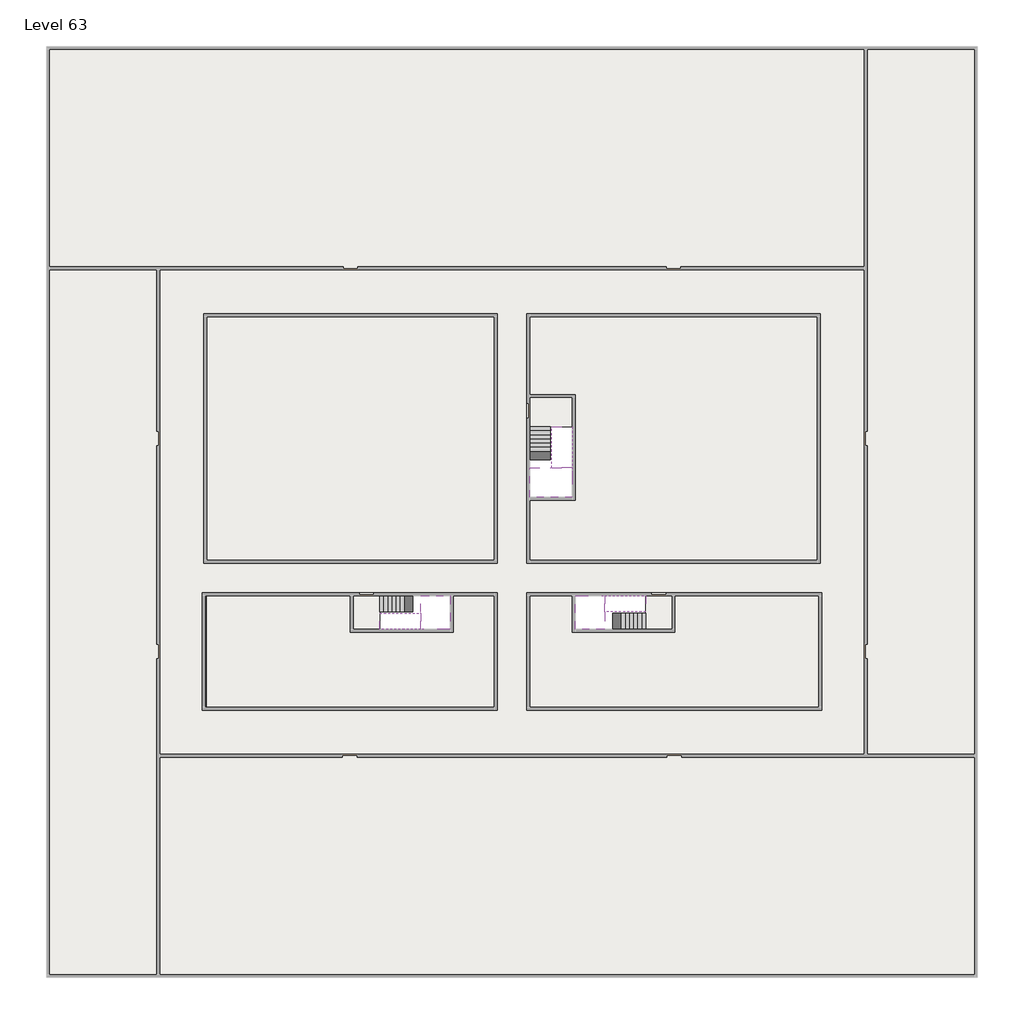
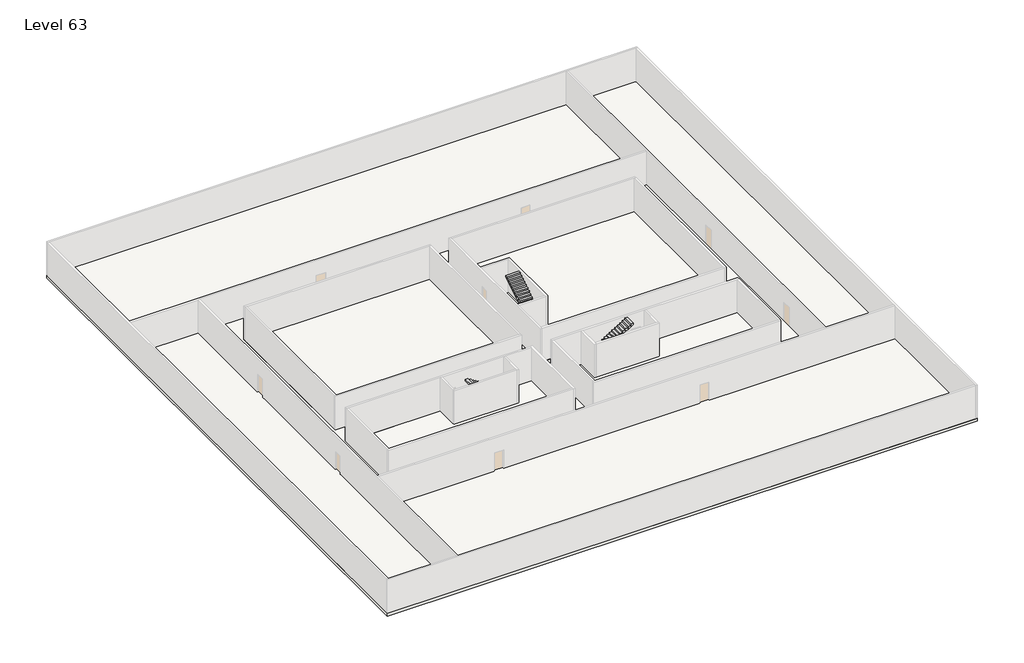
# One storey, part 2 of 2: 6 slabs, 6 stair flights.
"""IFC4 building model written with IfcOpenShell, lengths in millimetres."""

from ifc_helpers import new_model, si_unit, frame, origin, place, context, project, spatial, polyline, outline, extrude, faceted_brep, element, save

model = new_model("IFC4")

# Units and contexts
model_context = context("Model", 3, world=origin())
ifc_project = project(units=[si_unit("LENGTHUNIT", "METRE", prefix="MILLI")], contexts=[model_context])

# Site, building, storey
site = spatial("IfcSite", under=ifc_project)
building = spatial("IfcBuilding", under=site)
storey = spatial("IfcBuildingStorey", under=building, Name="Level 63", Elevation=235600.0)

# Slabs
placement = place(None, origin())
element("IfcSlab", 1, at=placement, inside=storey, context=model_context, shape_type="SweptSolid", body=[
    extrude(outline(polyline([(55890.1058784, -5518.09644), (55890.1058784, -68918.09644), (-7509.8941216, -68918.09644), (-7509.8941216, -5518.09644), (55890.1058784, -5518.09644)]), holes=[polyline([(23190.1058784, -23718.09644), (3190.1058784, -23718.09644), (3190.1058784, -40718.09644), (23190.1058784, -40718.09644), (23190.1058784, -23718.09644)]), polyline([(45190.1058784, -23718.09644), (25190.1058784, -23718.09644), (25190.1058784, -40718.09644), (45190.1058784, -40718.09644), (45190.1058784, -23718.09644)]), polyline([(23190.1058784, -50718.09644), (23190.1058784, -42718.09644), (3390.1058784, -42718.09644), (3390.1058784, -50718.09644), (23190.1058784, -50718.09644)]), polyline([(25190.1058784, -50718.09644), (45190.1058784, -50718.09644), (45190.1058784, -42718.09644), (25190.1058784, -42718.09644), (25190.1058784, -50718.09644)])]), frame((0.0, 0.0, 235300.0), z_axis=(0.0, 0.0, 1.0), x_axis=(1.0, 0.0, 0.0)), (0.0, 0.0, 1.0), 300.0),
])
element("IfcSlab", 2, at=placement, inside=storey, context=model_context, shape_type="Brep", body=[
    faceted_brep([(26790.1058784, -34218.09644, 237500.0), (25390.1058784, -34218.09644, 237500.0), (25390.1058784, -34297.4828763, 237500.0), (25390.1058784, -36218.09644, 237500.0), (28290.1058784, -36218.09644, 237500.0), (28290.1058784, -34418.7100038, 237500.0), (28290.1058784, -34218.09644, 237500.0), (26890.1058784, -34218.09644, 237500.0), (26790.1058784, -34218.09644, 237200.0), (26790.1058784, -34218.09644, 237151.0278478), (25390.1058784, -34218.09644, 237151.0278478), (25390.1058784, -34218.09644, 237327.2727273), (25390.1058784, -34297.4828763, 237200.0), (25390.1058784, -36218.09644, 237200.0), (28290.1058784, -36218.09644, 237200.0), (28290.1058784, -34418.7100038, 237200.0), (28290.1058784, -34218.09644, 237323.7551205), (26890.1058784, -34218.09644, 237323.7551205), (26890.1058784, -34218.09644, 237200.0), (26890.1058784, -34418.7100038, 237200.0), (26790.1058784, -34297.4828763, 237200.0)], [[[0, 1, 2, 3, 4, 5, 6, 7]], [[1, 0, 8, 9, 10, 11]], [[1, 11, 10, 12, 13, 3, 2]], [[4, 3, 13, 14]], [[4, 14, 15, 16, 6, 5]], [[7, 6, 16, 17]], [[0, 7, 17, 18, 8]], [[18, 19, 15, 14, 13, 12, 20, 8]], [[19, 18, 17]], [[20, 12, 10, 9]], [[8, 20, 9]], [[15, 19, 17, 16]]]),
])
element("IfcSlab", 3, at=placement, inside=storey, context=model_context, shape_type="SweptSolid", body=[
    extrude(outline(polyline([(22990.1058784, -23918.09644), (22990.1058784, -40518.09644), (3390.1058784, -40518.09644), (3390.1058784, -23918.09644), (22990.1058784, -23918.09644)])), frame((0.0, 0.0, 235300.0), z_axis=(0.0, 0.0, 1.0), x_axis=(1.0, 0.0, 0.0)), (0.0, 0.0, 1.0), 300.0),
    extrude(outline(polyline([(44990.1058784, -23918.09644), (44990.1058784, -40518.09644), (25390.1058784, -40518.09644), (25390.1058784, -36418.09644), (28490.1058784, -36418.09644), (28490.1058784, -29218.09644), (25390.1058784, -29218.09644), (25390.1058784, -23918.09644), (44990.1058784, -23918.09644)])), frame((0.0, 0.0, 235300.0), z_axis=(0.0, 0.0, 1.0), x_axis=(1.0, 0.0, 0.0)), (0.0, 0.0, 1.0), 300.0),
    extrude(outline(polyline([(22990.1058784, -42918.09644), (22990.1058784, -50518.09644), (3390.1058784, -50518.09644), (3390.1058784, -42918.09644), (13190.1058784, -42918.09644), (13190.1058784, -45418.09644), (20190.1058784, -45418.09644), (20190.1058784, -42918.09644), (22990.1058784, -42918.09644)])), frame((0.0, 0.0, 235300.0), z_axis=(0.0, 0.0, 1.0), x_axis=(1.0, 0.0, 0.0)), (0.0, 0.0, 1.0), 300.0),
    extrude(outline(polyline([(28290.1058784, -42918.09644), (28290.1058784, -45418.09644), (35290.1058784, -45418.09644), (35290.1058784, -42918.09644), (45090.1058784, -42918.09644), (45090.1058784, -50518.09644), (25390.1058784, -50518.09644), (25390.1058784, -42918.09644), (28290.1058784, -42918.09644)])), frame((0.0, 0.0, 235300.0), z_axis=(0.0, 0.0, 1.0), x_axis=(1.0, 0.0, 0.0)), (0.0, 0.0, 1.0), 300.0),
])
element("IfcSlab", 4, at=placement, inside=storey, context=model_context, shape_type="Brep", body=[
    faceted_brep([(30490.1058784, -45218.09644, 237500.0), (30490.1058784, -44118.09644, 237500.0), (30490.1058784, -44018.09644, 237500.0), (30490.1058784, -42918.09644, 237500.0), (30289.4923146, -42918.09644, 237500.0), (28490.1058784, -42918.09644, 237500.0), (28490.1058784, -45218.09644, 237500.0), (30410.7194421, -45218.09644, 237500.0), (30490.1058784, -45218.09644, 237327.2727273), (30490.1058784, -45218.09644, 237151.0278478), (30490.1058784, -44118.09644, 237151.0278478), (30490.1058784, -44118.09644, 237200.0), (30490.1058784, -44018.09644, 237200.0), (30490.1058784, -44018.09644, 237323.7551205), (30490.1058784, -42918.09644, 237323.7551205), (30289.4923146, -42918.09644, 237200.0), (28490.1058784, -42918.09644, 237200.0), (28490.1058784, -45218.09644, 237200.0), (30410.7194421, -45218.09644, 237200.0), (30289.4923146, -44018.09644, 237200.0), (30410.7194421, -44118.09644, 237200.0)], [[[0, 1, 2, 3, 4, 5, 6, 7]], [[1, 0, 8, 9, 10, 11]], [[2, 1, 11, 12, 13]], [[3, 2, 13, 14]], [[3, 14, 15, 16, 5, 4]], [[6, 5, 16, 17]], [[9, 8, 0, 7, 6, 17, 18]], [[19, 12, 11, 20, 18, 17, 16, 15]], [[12, 19, 13]], [[18, 20, 10, 9]], [[20, 11, 10]], [[19, 15, 14, 13]]]),
])
element("IfcSlab", 5, at=placement, inside=storey, context=model_context, shape_type="Brep", body=[
    faceted_brep([(17990.1058784, -42918.09644, 237500.0), (17990.1058784, -44018.09644, 237500.0), (17990.1058784, -44118.09644, 237500.0), (17990.1058784, -45218.09644, 237500.0), (18190.7194421, -45218.09644, 237500.0), (19990.1058784, -45218.09644, 237500.0), (19990.1058784, -42918.09644, 237500.0), (18069.4923146, -42918.09644, 237500.0), (17990.1058784, -42918.09644, 237327.2727273), (17990.1058784, -42918.09644, 237151.0278478), (17990.1058784, -44018.09644, 237151.0278478), (17990.1058784, -44018.09644, 237200.0), (17990.1058784, -44118.09644, 237200.0), (17990.1058784, -44118.09644, 237323.7551205), (17990.1058784, -45218.09644, 237323.7551205), (18190.7194421, -45218.09644, 237200.0), (19990.1058784, -45218.09644, 237200.0), (19990.1058784, -42918.09644, 237200.0), (18069.4923146, -42918.09644, 237200.0), (18190.7194421, -44118.09644, 237200.0), (18069.4923146, -44018.09644, 237200.0)], [[[0, 1, 2, 3, 4, 5, 6, 7]], [[1, 0, 8, 9, 10, 11]], [[2, 1, 11, 12, 13]], [[3, 2, 13, 14]], [[3, 14, 15, 16, 5, 4]], [[6, 5, 16, 17]], [[9, 8, 0, 7, 6, 17, 18]], [[19, 12, 11, 20, 18, 17, 16, 15]], [[12, 19, 13]], [[18, 20, 10, 9]], [[20, 11, 10]], [[19, 15, 14, 13]]]),
])
element("IfcSlab", 6, at=placement, inside=storey, context=model_context, shape_type="SweptSolid", body=[
    extrude(outline(polyline([(25190.1058784, -29418.09644), (28290.1058784, -29418.09644), (28290.1058784, -31418.09644), (25190.1058784, -31418.09644), (25190.1058784, -29418.09644)])), frame((0.0, 0.0, 235300.0), z_axis=(0.0, 0.0, 1.0), x_axis=(1.0, 0.0, 0.0)), (0.0, 0.0, 1.0), 300.0),
    extrude(outline(polyline([(15190.1058784, -45218.09644), (13390.1058784, -45218.09644), (13390.1058784, -42718.09644), (15190.1058784, -42718.09644), (15190.1058784, -45218.09644)])), frame((0.0, 0.0, 235300.0), z_axis=(0.0, 0.0, 1.0), x_axis=(1.0, 0.0, 0.0)), (0.0, 0.0, 1.0), 300.0),
    extrude(outline(polyline([(35090.1058784, -45218.09644), (33290.1058784, -45218.09644), (33290.1058784, -42718.09644), (35090.1058784, -42718.09644), (35090.1058784, -45218.09644)])), frame((0.0, 0.0, 235300.0), z_axis=(0.0, 0.0, 1.0), x_axis=(1.0, 0.0, 0.0)), (0.0, 0.0, 1.0), 300.0),
])

# Stair flights
element("IfcStairFlight", 7, at=placement, inside=storey, context=model_context, shape_type="Brep", body=[
    faceted_brep([(26790.1058784, -31698.09644, 235772.7272727), (26790.1058784, -31418.09644, 235772.7272727), (25390.1058784, -31418.09644, 235772.7272727), (25390.1058784, -31698.09644, 235772.7272727), (26790.1058784, -31698.09644, 235600.0), (26790.1058784, -31418.09644, 235600.0), (25390.1058784, -31418.09644, 235600.0), (25390.1058784, -31698.09644, 235600.0), (26790.1058784, -31978.09644, 235945.4545455), (26790.1058784, -31698.09644, 235945.4545455), (25390.1058784, -31698.09644, 235945.4545455), (25390.1058784, -31978.09644, 235945.4545455), (26790.1058784, -31978.09644, 235769.209666), (26790.1058784, -31703.7986657, 235600.0), (25390.1058784, -31703.7986657, 235600.0), (25390.1058784, -31978.09644, 235769.209666), (26790.1058784, -32258.09644, 236118.1818182), (26790.1058784, -31978.09644, 236118.1818182), (25390.1058784, -31978.09644, 236118.1818182), (25390.1058784, -32258.09644, 236118.1818182), (26790.1058784, -32258.09644, 235941.9369387), (25390.1058784, -32258.09644, 235941.9369387), (26790.1058784, -32538.09644, 236290.9090909), (26790.1058784, -32258.09644, 236290.9090909), (25390.1058784, -32258.09644, 236290.9090909), (25390.1058784, -32538.09644, 236290.9090909), (26790.1058784, -32538.09644, 236114.6642114), (25390.1058784, -32538.09644, 236114.6642114), (26790.1058784, -32818.09644, 236463.6363636), (26790.1058784, -32538.09644, 236463.6363636), (25390.1058784, -32538.09644, 236463.6363636), (25390.1058784, -32818.09644, 236463.6363636), (26790.1058784, -32818.09644, 236287.3914841), (25390.1058784, -32818.09644, 236287.3914841), (26790.1058784, -33098.09644, 236636.3636364), (26790.1058784, -32818.09644, 236636.3636364), (25390.1058784, -32818.09644, 236636.3636364), (25390.1058784, -33098.09644, 236636.3636364), (26790.1058784, -33098.09644, 236460.1187569), (25390.1058784, -33098.09644, 236460.1187569), (26790.1058784, -33378.09644, 236809.0909091), (26790.1058784, -33098.09644, 236809.0909091), (25390.1058784, -33098.09644, 236809.0909091), (25390.1058784, -33378.09644, 236809.0909091), (26790.1058784, -33378.09644, 236632.8460296), (25390.1058784, -33378.09644, 236632.8460296), (26790.1058784, -33658.09644, 236981.8181818), (26790.1058784, -33378.09644, 236981.8181818), (25390.1058784, -33378.09644, 236981.8181818), (25390.1058784, -33658.09644, 236981.8181818), (26790.1058784, -33658.09644, 236805.5733023), (25390.1058784, -33658.09644, 236805.5733023), (26790.1058784, -33938.09644, 237154.5454545), (26790.1058784, -33658.09644, 237154.5454545), (25390.1058784, -33658.09644, 237154.5454545), (25390.1058784, -33938.09644, 237154.5454545), (26790.1058784, -33938.09644, 236978.3005751), (25390.1058784, -33938.09644, 236978.3005751), (26790.1058784, -34218.09644, 237327.2727273), (26790.1058784, -33938.09644, 237327.2727273), (25390.1058784, -33938.09644, 237327.2727273), (25390.1058784, -34218.09644, 237327.2727273), (26790.1058784, -34218.09644, 237200.0), (26790.1058784, -34218.09644, 237151.0278478), (25390.1058784, -34218.09644, 237151.0278478)], [[[0, 1, 2, 3]], [[1, 0, 4, 5]], [[2, 1, 5, 6]], [[3, 2, 6, 7]], [[8, 9, 10, 11]], [[4, 0, 9, 8, 12, 13]], [[0, 3, 10, 9]], [[3, 7, 14, 15, 11, 10]], [[16, 17, 18, 19]], [[17, 16, 20, 12, 8]], [[8, 11, 18, 17]], [[19, 18, 11, 15, 21]], [[22, 23, 24, 25]], [[23, 22, 26, 20, 16]], [[16, 19, 24, 23]], [[25, 24, 19, 21, 27]], [[28, 29, 30, 31]], [[29, 28, 32, 26, 22]], [[22, 25, 30, 29]], [[31, 30, 25, 27, 33]], [[34, 35, 36, 37]], [[35, 34, 38, 32, 28]], [[28, 31, 36, 35]], [[37, 36, 31, 33, 39]], [[40, 41, 42, 43]], [[41, 40, 44, 38, 34]], [[34, 37, 42, 41]], [[43, 42, 37, 39, 45]], [[46, 47, 48, 49]], [[47, 46, 50, 44, 40]], [[40, 43, 48, 47]], [[49, 48, 43, 45, 51]], [[52, 53, 54, 55]], [[53, 52, 56, 50, 46]], [[46, 49, 54, 53]], [[55, 54, 49, 51, 57]], [[58, 59, 60, 61]], [[59, 58, 62, 63, 56, 52]], [[52, 55, 60, 59]], [[61, 60, 55, 57, 64]], [[58, 61, 64, 63, 62]], [[5, 4, 13, 14, 7, 6]], [[14, 13, 12, 20, 26, 32, 38, 44, 50, 56, 63, 64, 57, 51, 45, 39, 33, 27, 21, 15]]]),
])
element("IfcStairFlight", 8, at=placement, inside=storey, context=model_context, shape_type="Brep", body=[
    faceted_brep([(26890.1058784, -33938.09644, 237672.7272727), (26890.1058784, -34218.09644, 237672.7272727), (28290.1058784, -34218.09644, 237672.7272727), (28290.1058784, -33938.09644, 237672.7272727), (26890.1058784, -33938.09644, 237496.4823932), (26890.1058784, -34218.09644, 237323.7551205), (28290.1058784, -34218.09644, 237323.7551205), (28290.1058784, -34218.09644, 237500.0), (28290.1058784, -33938.09644, 237496.4823932), (26890.1058784, -33658.09644, 237845.4545455), (26890.1058784, -33938.09644, 237845.4545455), (28290.1058784, -33938.09644, 237845.4545455), (28290.1058784, -33658.09644, 237845.4545455), (26890.1058784, -33658.09644, 237669.209666), (28290.1058784, -33658.09644, 237669.209666), (26890.1058784, -33378.09644, 238018.1818182), (26890.1058784, -33658.09644, 238018.1818182), (28290.1058784, -33658.09644, 238018.1818182), (28290.1058784, -33378.09644, 238018.1818182), (26890.1058784, -33378.09644, 237841.9369387), (28290.1058784, -33378.09644, 237841.9369387), (26890.1058784, -33098.09644, 238190.9090909), (26890.1058784, -33378.09644, 238190.9090909), (28290.1058784, -33378.09644, 238190.9090909), (28290.1058784, -33098.09644, 238190.9090909), (26890.1058784, -33098.09644, 238014.6642114), (28290.1058784, -33098.09644, 238014.6642114), (26890.1058784, -32818.09644, 238363.6363636), (26890.1058784, -33098.09644, 238363.6363636), (28290.1058784, -33098.09644, 238363.6363636), (28290.1058784, -32818.09644, 238363.6363636), (26890.1058784, -32818.09644, 238187.3914841), (28290.1058784, -32818.09644, 238187.3914841), (26890.1058784, -32538.09644, 238536.3636364), (26890.1058784, -32818.09644, 238536.3636364), (28290.1058784, -32818.09644, 238536.3636364), (28290.1058784, -32538.09644, 238536.3636364), (26890.1058784, -32538.09644, 238360.1187569), (28290.1058784, -32538.09644, 238360.1187569), (26890.1058784, -32258.09644, 238709.0909091), (26890.1058784, -32538.09644, 238709.0909091), (28290.1058784, -32538.09644, 238709.0909091), (28290.1058784, -32258.09644, 238709.0909091), (26890.1058784, -32258.09644, 238532.8460296), (28290.1058784, -32258.09644, 238532.8460296), (26890.1058784, -31978.09644, 238881.8181818), (26890.1058784, -32258.09644, 238881.8181818), (28290.1058784, -32258.09644, 238881.8181818), (28290.1058784, -31978.09644, 238881.8181818), (26890.1058784, -31978.09644, 238705.5733023), (28290.1058784, -31978.09644, 238705.5733023), (26890.1058784, -31698.09644, 239054.5454545), (26890.1058784, -31978.09644, 239054.5454545), (28290.1058784, -31978.09644, 239054.5454545), (28290.1058784, -31698.09644, 239054.5454545), (26890.1058784, -31698.09644, 238878.3005751), (28290.1058784, -31698.09644, 238878.3005751), (26890.1058784, -31418.09644, 239227.2727273), (26890.1058784, -31698.09644, 239227.2727273), (28290.1058784, -31698.09644, 239227.2727273), (28290.1058784, -31418.09644, 239227.2727273), (26890.1058784, -31418.09644, 239051.0278478), (28290.1058784, -31418.09644, 239051.0278478)], [[[0, 1, 2, 3]], [[1, 0, 4, 5]], [[2, 1, 5, 6, 7]], [[3, 2, 7, 6, 8]], [[9, 10, 11, 12]], [[10, 9, 13, 4, 0]], [[11, 10, 0, 3]], [[12, 11, 3, 8, 14]], [[15, 16, 17, 18]], [[16, 15, 19, 13, 9]], [[17, 16, 9, 12]], [[18, 17, 12, 14, 20]], [[21, 22, 23, 24]], [[22, 21, 25, 19, 15]], [[23, 22, 15, 18]], [[24, 23, 18, 20, 26]], [[27, 28, 29, 30]], [[28, 27, 31, 25, 21]], [[29, 28, 21, 24]], [[30, 29, 24, 26, 32]], [[33, 34, 35, 36]], [[34, 33, 37, 31, 27]], [[35, 34, 27, 30]], [[36, 35, 30, 32, 38]], [[39, 40, 41, 42]], [[40, 39, 43, 37, 33]], [[41, 40, 33, 36]], [[42, 41, 36, 38, 44]], [[45, 46, 47, 48]], [[46, 45, 49, 43, 39]], [[47, 46, 39, 42]], [[48, 47, 42, 44, 50]], [[51, 52, 53, 54]], [[52, 51, 55, 49, 45]], [[53, 52, 45, 48]], [[54, 53, 48, 50, 56]], [[57, 58, 59, 60]], [[58, 57, 61, 55, 51]], [[59, 58, 51, 54]], [[60, 59, 54, 56, 62]], [[57, 60, 62, 61]], [[5, 4, 13, 19, 25, 31, 37, 43, 49, 55, 61, 62, 56, 50, 44, 38, 32, 26, 20, 14, 8, 6]]]),
])
element("IfcStairFlight", 9, at=placement, inside=storey, context=model_context, shape_type="Brep", body=[
    faceted_brep([(33010.1058784, -45218.09644, 235772.7272727), (33290.1058784, -45218.09644, 235772.7272727), (33290.1058784, -44118.09644, 235772.7272727), (33010.1058784, -44118.09644, 235772.7272727), (33010.1058784, -45218.09644, 235600.0), (33290.1058784, -45218.09644, 235600.0), (33290.1058784, -44118.09644, 235600.0), (33010.1058784, -44118.09644, 235600.0), (32730.1058784, -45218.09644, 235945.4545455), (33010.1058784, -45218.09644, 235945.4545455), (33010.1058784, -44118.09644, 235945.4545455), (32730.1058784, -44118.09644, 235945.4545455), (32730.1058784, -45218.09644, 235769.209666), (33004.4036527, -45218.09644, 235600.0), (33004.4036527, -44118.09644, 235600.0), (32730.1058784, -44118.09644, 235769.209666), (32450.1058784, -45218.09644, 236118.1818182), (32730.1058784, -45218.09644, 236118.1818182), (32730.1058784, -44118.09644, 236118.1818182), (32450.1058784, -44118.09644, 236118.1818182), (32450.1058784, -45218.09644, 235941.9369387), (32450.1058784, -44118.09644, 235941.9369387), (32170.1058784, -45218.09644, 236290.9090909), (32450.1058784, -45218.09644, 236290.9090909), (32450.1058784, -44118.09644, 236290.9090909), (32170.1058784, -44118.09644, 236290.9090909), (32170.1058784, -45218.09644, 236114.6642114), (32170.1058784, -44118.09644, 236114.6642114), (31890.1058784, -45218.09644, 236463.6363636), (32170.1058784, -45218.09644, 236463.6363636), (32170.1058784, -44118.09644, 236463.6363636), (31890.1058784, -44118.09644, 236463.6363636), (31890.1058784, -45218.09644, 236287.3914841), (31890.1058784, -44118.09644, 236287.3914841), (31610.1058784, -45218.09644, 236636.3636364), (31890.1058784, -45218.09644, 236636.3636364), (31890.1058784, -44118.09644, 236636.3636364), (31610.1058784, -44118.09644, 236636.3636364), (31610.1058784, -45218.09644, 236460.1187569), (31610.1058784, -44118.09644, 236460.1187569), (31330.1058784, -45218.09644, 236809.0909091), (31610.1058784, -45218.09644, 236809.0909091), (31610.1058784, -44118.09644, 236809.0909091), (31330.1058784, -44118.09644, 236809.0909091), (31330.1058784, -45218.09644, 236632.8460296), (31330.1058784, -44118.09644, 236632.8460296), (31050.1058784, -45218.09644, 236981.8181818), (31330.1058784, -45218.09644, 236981.8181818), (31330.1058784, -44118.09644, 236981.8181818), (31050.1058784, -44118.09644, 236981.8181818), (31050.1058784, -45218.09644, 236805.5733023), (31050.1058784, -44118.09644, 236805.5733023), (30770.1058784, -45218.09644, 237154.5454545), (31050.1058784, -45218.09644, 237154.5454545), (31050.1058784, -44118.09644, 237154.5454545), (30770.1058784, -44118.09644, 237154.5454545), (30770.1058784, -45218.09644, 236978.3005751), (30770.1058784, -44118.09644, 236978.3005751), (30490.1058784, -45218.09644, 237327.2727273), (30770.1058784, -45218.09644, 237327.2727273), (30770.1058784, -44118.09644, 237327.2727273), (30490.1058784, -44118.09644, 237327.2727273), (30490.1058784, -45218.09644, 237151.0278478), (30490.1058784, -44118.09644, 237151.0278478), (30490.1058784, -44118.09644, 237200.0)], [[[0, 1, 2, 3]], [[1, 0, 4, 5]], [[2, 1, 5, 6]], [[3, 2, 6, 7]], [[8, 9, 10, 11]], [[4, 0, 9, 8, 12, 13]], [[0, 3, 10, 9]], [[3, 7, 14, 15, 11, 10]], [[16, 17, 18, 19]], [[17, 16, 20, 12, 8]], [[8, 11, 18, 17]], [[19, 18, 11, 15, 21]], [[22, 23, 24, 25]], [[23, 22, 26, 20, 16]], [[16, 19, 24, 23]], [[25, 24, 19, 21, 27]], [[28, 29, 30, 31]], [[29, 28, 32, 26, 22]], [[22, 25, 30, 29]], [[31, 30, 25, 27, 33]], [[34, 35, 36, 37]], [[35, 34, 38, 32, 28]], [[28, 31, 36, 35]], [[37, 36, 31, 33, 39]], [[40, 41, 42, 43]], [[41, 40, 44, 38, 34]], [[34, 37, 42, 41]], [[43, 42, 37, 39, 45]], [[46, 47, 48, 49]], [[47, 46, 50, 44, 40]], [[40, 43, 48, 47]], [[49, 48, 43, 45, 51]], [[52, 53, 54, 55]], [[53, 52, 56, 50, 46]], [[46, 49, 54, 53]], [[55, 54, 49, 51, 57]], [[58, 59, 60, 61]], [[59, 58, 62, 56, 52]], [[52, 55, 60, 59]], [[61, 60, 55, 57, 63, 64]], [[58, 61, 64, 63, 62]], [[5, 4, 13, 14, 7, 6]], [[14, 13, 12, 20, 26, 32, 38, 44, 50, 56, 62, 63, 57, 51, 45, 39, 33, 27, 21, 15]]]),
])
element("IfcStairFlight", 10, at=placement, inside=storey, context=model_context, shape_type="Brep", body=[
    faceted_brep([(30770.1058784, -42918.09644, 237672.7272727), (30490.1058784, -42918.09644, 237672.7272727), (30490.1058784, -44018.09644, 237672.7272727), (30770.1058784, -44018.09644, 237672.7272727), (30770.1058784, -42918.09644, 237496.4823932), (30490.1058784, -42918.09644, 237323.7551205), (30490.1058784, -42918.09644, 237500.0), (30490.1058784, -44018.09644, 237323.7551205), (30770.1058784, -44018.09644, 237496.4823932), (31050.1058784, -42918.09644, 237845.4545455), (30770.1058784, -42918.09644, 237845.4545455), (30770.1058784, -44018.09644, 237845.4545455), (31050.1058784, -44018.09644, 237845.4545455), (31050.1058784, -42918.09644, 237669.209666), (31050.1058784, -44018.09644, 237669.209666), (31330.1058784, -42918.09644, 238018.1818182), (31050.1058784, -42918.09644, 238018.1818182), (31050.1058784, -44018.09644, 238018.1818182), (31330.1058784, -44018.09644, 238018.1818182), (31330.1058784, -42918.09644, 237841.9369387), (31330.1058784, -44018.09644, 237841.9369387), (31610.1058784, -42918.09644, 238190.9090909), (31330.1058784, -42918.09644, 238190.9090909), (31330.1058784, -44018.09644, 238190.9090909), (31610.1058784, -44018.09644, 238190.9090909), (31610.1058784, -42918.09644, 238014.6642114), (31610.1058784, -44018.09644, 238014.6642114), (31890.1058784, -42918.09644, 238363.6363636), (31610.1058784, -42918.09644, 238363.6363636), (31610.1058784, -44018.09644, 238363.6363636), (31890.1058784, -44018.09644, 238363.6363636), (31890.1058784, -42918.09644, 238187.3914841), (31890.1058784, -44018.09644, 238187.3914841), (32170.1058784, -42918.09644, 238536.3636364), (31890.1058784, -42918.09644, 238536.3636364), (31890.1058784, -44018.09644, 238536.3636364), (32170.1058784, -44018.09644, 238536.3636364), (32170.1058784, -42918.09644, 238360.1187569), (32170.1058784, -44018.09644, 238360.1187569), (32450.1058784, -42918.09644, 238709.0909091), (32170.1058784, -42918.09644, 238709.0909091), (32170.1058784, -44018.09644, 238709.0909091), (32450.1058784, -44018.09644, 238709.0909091), (32450.1058784, -42918.09644, 238532.8460296), (32450.1058784, -44018.09644, 238532.8460296), (32730.1058784, -42918.09644, 238881.8181818), (32450.1058784, -42918.09644, 238881.8181818), (32450.1058784, -44018.09644, 238881.8181818), (32730.1058784, -44018.09644, 238881.8181818), (32730.1058784, -42918.09644, 238705.5733023), (32730.1058784, -44018.09644, 238705.5733023), (33010.1058784, -42918.09644, 239054.5454545), (32730.1058784, -42918.09644, 239054.5454545), (32730.1058784, -44018.09644, 239054.5454545), (33010.1058784, -44018.09644, 239054.5454545), (33010.1058784, -42918.09644, 238878.3005751), (33010.1058784, -44018.09644, 238878.3005751), (33290.1058784, -42918.09644, 239227.2727273), (33010.1058784, -42918.09644, 239227.2727273), (33010.1058784, -44018.09644, 239227.2727273), (33290.1058784, -44018.09644, 239227.2727273), (33290.1058784, -42918.09644, 239051.0278478), (33290.1058784, -44018.09644, 239051.0278478)], [[[0, 1, 2, 3]], [[1, 0, 4, 5, 6]], [[2, 1, 6, 5, 7]], [[3, 2, 7, 8]], [[9, 10, 11, 12]], [[10, 9, 13, 4, 0]], [[11, 10, 0, 3]], [[12, 11, 3, 8, 14]], [[15, 16, 17, 18]], [[16, 15, 19, 13, 9]], [[17, 16, 9, 12]], [[18, 17, 12, 14, 20]], [[21, 22, 23, 24]], [[22, 21, 25, 19, 15]], [[23, 22, 15, 18]], [[24, 23, 18, 20, 26]], [[27, 28, 29, 30]], [[28, 27, 31, 25, 21]], [[29, 28, 21, 24]], [[30, 29, 24, 26, 32]], [[33, 34, 35, 36]], [[34, 33, 37, 31, 27]], [[35, 34, 27, 30]], [[36, 35, 30, 32, 38]], [[39, 40, 41, 42]], [[40, 39, 43, 37, 33]], [[41, 40, 33, 36]], [[42, 41, 36, 38, 44]], [[45, 46, 47, 48]], [[46, 45, 49, 43, 39]], [[47, 46, 39, 42]], [[48, 47, 42, 44, 50]], [[51, 52, 53, 54]], [[52, 51, 55, 49, 45]], [[53, 52, 45, 48]], [[54, 53, 48, 50, 56]], [[57, 58, 59, 60]], [[58, 57, 61, 55, 51]], [[59, 58, 51, 54]], [[60, 59, 54, 56, 62]], [[57, 60, 62, 61]], [[5, 4, 13, 19, 25, 31, 37, 43, 49, 55, 61, 62, 56, 50, 44, 38, 32, 26, 20, 14, 8, 7]]]),
])
element("IfcStairFlight", 11, at=placement, inside=storey, context=model_context, shape_type="Brep", body=[
    faceted_brep([(15470.1058784, -42918.09644, 235772.7272727), (15190.1058784, -42918.09644, 235772.7272727), (15190.1058784, -44018.09644, 235772.7272727), (15470.1058784, -44018.09644, 235772.7272727), (15470.1058784, -42918.09644, 235600.0), (15190.1058784, -42918.09644, 235600.0), (15190.1058784, -44018.09644, 235600.0), (15470.1058784, -44018.09644, 235600.0), (15750.1058784, -42918.09644, 235945.4545455), (15470.1058784, -42918.09644, 235945.4545455), (15470.1058784, -44018.09644, 235945.4545455), (15750.1058784, -44018.09644, 235945.4545455), (15750.1058784, -42918.09644, 235769.209666), (15475.8081041, -42918.09644, 235600.0), (15475.8081041, -44018.09644, 235600.0), (15750.1058784, -44018.09644, 235769.209666), (16030.1058784, -42918.09644, 236118.1818182), (15750.1058784, -42918.09644, 236118.1818182), (15750.1058784, -44018.09644, 236118.1818182), (16030.1058784, -44018.09644, 236118.1818182), (16030.1058784, -42918.09644, 235941.9369387), (16030.1058784, -44018.09644, 235941.9369387), (16310.1058784, -42918.09644, 236290.9090909), (16030.1058784, -42918.09644, 236290.9090909), (16030.1058784, -44018.09644, 236290.9090909), (16310.1058784, -44018.09644, 236290.9090909), (16310.1058784, -42918.09644, 236114.6642114), (16310.1058784, -44018.09644, 236114.6642114), (16590.1058784, -42918.09644, 236463.6363636), (16310.1058784, -42918.09644, 236463.6363636), (16310.1058784, -44018.09644, 236463.6363636), (16590.1058784, -44018.09644, 236463.6363636), (16590.1058784, -42918.09644, 236287.3914841), (16590.1058784, -44018.09644, 236287.3914841), (16870.1058784, -42918.09644, 236636.3636364), (16590.1058784, -42918.09644, 236636.3636364), (16590.1058784, -44018.09644, 236636.3636364), (16870.1058784, -44018.09644, 236636.3636364), (16870.1058784, -42918.09644, 236460.1187569), (16870.1058784, -44018.09644, 236460.1187569), (17150.1058784, -42918.09644, 236809.0909091), (16870.1058784, -42918.09644, 236809.0909091), (16870.1058784, -44018.09644, 236809.0909091), (17150.1058784, -44018.09644, 236809.0909091), (17150.1058784, -42918.09644, 236632.8460296), (17150.1058784, -44018.09644, 236632.8460296), (17430.1058784, -42918.09644, 236981.8181818), (17150.1058784, -42918.09644, 236981.8181818), (17150.1058784, -44018.09644, 236981.8181818), (17430.1058784, -44018.09644, 236981.8181818), (17430.1058784, -42918.09644, 236805.5733023), (17430.1058784, -44018.09644, 236805.5733023), (17710.1058784, -42918.09644, 237154.5454545), (17430.1058784, -42918.09644, 237154.5454545), (17430.1058784, -44018.09644, 237154.5454545), (17710.1058784, -44018.09644, 237154.5454545), (17710.1058784, -42918.09644, 236978.3005751), (17710.1058784, -44018.09644, 236978.3005751), (17990.1058784, -42918.09644, 237327.2727273), (17710.1058784, -42918.09644, 237327.2727273), (17710.1058784, -44018.09644, 237327.2727273), (17990.1058784, -44018.09644, 237327.2727273), (17990.1058784, -42918.09644, 237151.0278478), (17990.1058784, -44018.09644, 237151.0278478), (17990.1058784, -44018.09644, 237200.0)], [[[0, 1, 2, 3]], [[1, 0, 4, 5]], [[2, 1, 5, 6]], [[3, 2, 6, 7]], [[8, 9, 10, 11]], [[4, 0, 9, 8, 12, 13]], [[0, 3, 10, 9]], [[3, 7, 14, 15, 11, 10]], [[16, 17, 18, 19]], [[17, 16, 20, 12, 8]], [[8, 11, 18, 17]], [[19, 18, 11, 15, 21]], [[22, 23, 24, 25]], [[23, 22, 26, 20, 16]], [[16, 19, 24, 23]], [[25, 24, 19, 21, 27]], [[28, 29, 30, 31]], [[29, 28, 32, 26, 22]], [[22, 25, 30, 29]], [[31, 30, 25, 27, 33]], [[34, 35, 36, 37]], [[35, 34, 38, 32, 28]], [[28, 31, 36, 35]], [[37, 36, 31, 33, 39]], [[40, 41, 42, 43]], [[41, 40, 44, 38, 34]], [[34, 37, 42, 41]], [[43, 42, 37, 39, 45]], [[46, 47, 48, 49]], [[47, 46, 50, 44, 40]], [[40, 43, 48, 47]], [[49, 48, 43, 45, 51]], [[52, 53, 54, 55]], [[53, 52, 56, 50, 46]], [[46, 49, 54, 53]], [[55, 54, 49, 51, 57]], [[58, 59, 60, 61]], [[59, 58, 62, 56, 52]], [[52, 55, 60, 59]], [[61, 60, 55, 57, 63, 64]], [[58, 61, 64, 63, 62]], [[5, 4, 13, 14, 7, 6]], [[14, 13, 12, 20, 26, 32, 38, 44, 50, 56, 62, 63, 57, 51, 45, 39, 33, 27, 21, 15]]]),
])
element("IfcStairFlight", 12, at=placement, inside=storey, context=model_context, shape_type="Brep", body=[
    faceted_brep([(17710.1058784, -45218.09644, 237672.7272727), (17990.1058784, -45218.09644, 237672.7272727), (17990.1058784, -44118.09644, 237672.7272727), (17710.1058784, -44118.09644, 237672.7272727), (17710.1058784, -45218.09644, 237496.4823932), (17990.1058784, -45218.09644, 237323.7551205), (17990.1058784, -45218.09644, 237500.0), (17990.1058784, -44118.09644, 237323.7551205), (17710.1058784, -44118.09644, 237496.4823932), (17430.1058784, -45218.09644, 237845.4545455), (17710.1058784, -45218.09644, 237845.4545455), (17710.1058784, -44118.09644, 237845.4545455), (17430.1058784, -44118.09644, 237845.4545455), (17430.1058784, -45218.09644, 237669.209666), (17430.1058784, -44118.09644, 237669.209666), (17150.1058784, -45218.09644, 238018.1818182), (17430.1058784, -45218.09644, 238018.1818182), (17430.1058784, -44118.09644, 238018.1818182), (17150.1058784, -44118.09644, 238018.1818182), (17150.1058784, -45218.09644, 237841.9369387), (17150.1058784, -44118.09644, 237841.9369387), (16870.1058784, -45218.09644, 238190.9090909), (17150.1058784, -45218.09644, 238190.9090909), (17150.1058784, -44118.09644, 238190.9090909), (16870.1058784, -44118.09644, 238190.9090909), (16870.1058784, -45218.09644, 238014.6642114), (16870.1058784, -44118.09644, 238014.6642114), (16590.1058784, -45218.09644, 238363.6363636), (16870.1058784, -45218.09644, 238363.6363636), (16870.1058784, -44118.09644, 238363.6363636), (16590.1058784, -44118.09644, 238363.6363636), (16590.1058784, -45218.09644, 238187.3914841), (16590.1058784, -44118.09644, 238187.3914841), (16310.1058784, -45218.09644, 238536.3636364), (16590.1058784, -45218.09644, 238536.3636364), (16590.1058784, -44118.09644, 238536.3636364), (16310.1058784, -44118.09644, 238536.3636364), (16310.1058784, -45218.09644, 238360.1187569), (16310.1058784, -44118.09644, 238360.1187569), (16030.1058784, -45218.09644, 238709.0909091), (16310.1058784, -45218.09644, 238709.0909091), (16310.1058784, -44118.09644, 238709.0909091), (16030.1058784, -44118.09644, 238709.0909091), (16030.1058784, -45218.09644, 238532.8460296), (16030.1058784, -44118.09644, 238532.8460296), (15750.1058784, -45218.09644, 238881.8181818), (16030.1058784, -45218.09644, 238881.8181818), (16030.1058784, -44118.09644, 238881.8181818), (15750.1058784, -44118.09644, 238881.8181818), (15750.1058784, -45218.09644, 238705.5733023), (15750.1058784, -44118.09644, 238705.5733023), (15470.1058784, -45218.09644, 239054.5454545), (15750.1058784, -45218.09644, 239054.5454545), (15750.1058784, -44118.09644, 239054.5454545), (15470.1058784, -44118.09644, 239054.5454545), (15470.1058784, -45218.09644, 238878.3005751), (15470.1058784, -44118.09644, 238878.3005751), (15190.1058784, -45218.09644, 239227.2727273), (15470.1058784, -45218.09644, 239227.2727273), (15470.1058784, -44118.09644, 239227.2727273), (15190.1058784, -44118.09644, 239227.2727273), (15190.1058784, -45218.09644, 239051.0278478), (15190.1058784, -44118.09644, 239051.0278478)], [[[0, 1, 2, 3]], [[1, 0, 4, 5, 6]], [[2, 1, 6, 5, 7]], [[3, 2, 7, 8]], [[9, 10, 11, 12]], [[10, 9, 13, 4, 0]], [[11, 10, 0, 3]], [[12, 11, 3, 8, 14]], [[15, 16, 17, 18]], [[16, 15, 19, 13, 9]], [[17, 16, 9, 12]], [[18, 17, 12, 14, 20]], [[21, 22, 23, 24]], [[22, 21, 25, 19, 15]], [[23, 22, 15, 18]], [[24, 23, 18, 20, 26]], [[27, 28, 29, 30]], [[28, 27, 31, 25, 21]], [[29, 28, 21, 24]], [[30, 29, 24, 26, 32]], [[33, 34, 35, 36]], [[34, 33, 37, 31, 27]], [[35, 34, 27, 30]], [[36, 35, 30, 32, 38]], [[39, 40, 41, 42]], [[40, 39, 43, 37, 33]], [[41, 40, 33, 36]], [[42, 41, 36, 38, 44]], [[45, 46, 47, 48]], [[46, 45, 49, 43, 39]], [[47, 46, 39, 42]], [[48, 47, 42, 44, 50]], [[51, 52, 53, 54]], [[52, 51, 55, 49, 45]], [[53, 52, 45, 48]], [[54, 53, 48, 50, 56]], [[57, 58, 59, 60]], [[58, 57, 61, 55, 51]], [[59, 58, 51, 54]], [[60, 59, 54, 56, 62]], [[57, 60, 62, 61]], [[5, 4, 13, 19, 25, 31, 37, 43, 49, 55, 61, 62, 56, 50, 44, 38, 32, 26, 20, 14, 8, 7]]]),
])

save(model, "model.ifc")
